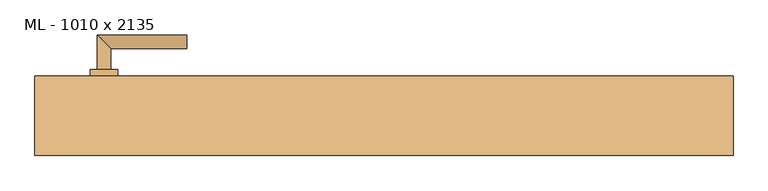
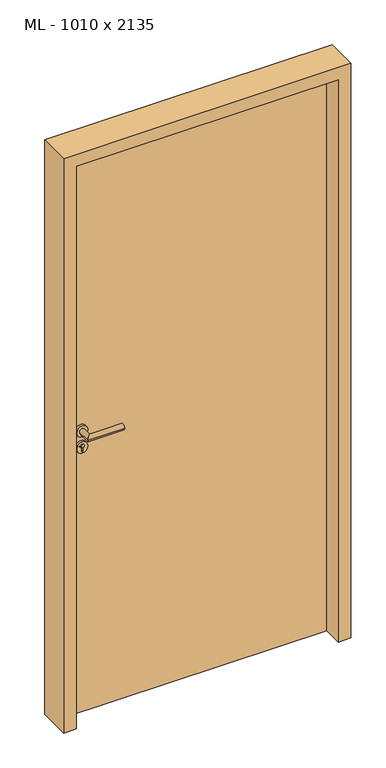
"""IFC4 building model written with IfcOpenShell, lengths in millimetres: door geometry, ML - 1010 x 2135."""

from ifc_helpers import new_model, si_unit, point, frame, frame_2d, origin, origin_with_axes, place, context, project, spatial, polyline, circle_curve, ellipse_curve, trimmed, segment, composite_curve, outline, extrude, faceted_brep, source, transform, mapped, element, save
from ifc_brep_helpers import plane_surface, cylinder_surface, advanced_brep


def ml_1010_x_2135_c56a100c(model_context):
    return source(origin(), model_context, "Body", "SolidModel", [
        extrude(outline(polyline([(471.0, 57.5), (471.0, 12.5), (-471.0, 12.5), (-471.0, 57.5), (471.0, 57.5)])), origin_with_axes(), (0.0, 0.0, 1.0), 2101.0),
        advanced_brep(
        [(-395.0, 67.5, 1050.0), (-415.0, 67.5, 1050.0), (-395.0, 97.5, 1050.0), (-415.0, 117.5, 1050.0), (-285.0, 97.5, 1050.0), (-285.0, 117.5, 1050.0)],
        [
            (0, 1, circle_curve(frame((-405.0, 67.5, 1050.0), z_axis=(0.0, -1.0, 0.0), x_axis=(-1.0, 0.0, 0.0)), 10.0)),
            (1, 0, circle_curve(frame((-405.0, 67.5, 1050.0), z_axis=(0.0, -1.0, 0.0), x_axis=(-1.0, 0.0, 0.0)), 10.0)),
            (0, 2),
            (2, 3, ellipse_curve(frame((-405.0, 107.5, 1050.0), z_axis=(-0.7071067811865531, -0.7071067811865419, 0.0), x_axis=(0.707106781186542, -0.707106781186553, 0.0)), 14.1421356, 10.0)),
            (3, 1),
            (3, 2, ellipse_curve(frame((-405.0, 107.5, 1050.0), z_axis=(-0.7071067811865531, -0.7071067811865419, 0.0), x_axis=(0.707106781186542, -0.707106781186553, 0.0)), 14.1421356, 10.0)),
            (4, 5, circle_curve(frame((-285.0, 107.5, 1050.0), z_axis=(1.0, 0.0, 0.0), x_axis=(0.0, 1.0, 0.0)), 10.0)),
            (5, 4, circle_curve(frame((-285.0, 107.5, 1050.0), z_axis=(1.0, 0.0, 0.0), x_axis=(0.0, 1.0, 0.0)), 10.0)),
            (2, 4),
            (5, 3),
        ],
        [
            plane_surface(frame((-405.0, 67.5, 1050.0), z_axis=(0.0, -1.0, 0.0), x_axis=(0.0, 0.0, 1.0))),
            cylinder_surface(frame((-405.0, 67.5, 1050.0), z_axis=(0.0, -1.0, 0.0), x_axis=(-1.0, 0.0, 0.0)), 10.0),
            plane_surface(frame((-285.0, 107.5, 1050.0), z_axis=(1.0, 0.0, 0.0), x_axis=(0.0, 0.0, 1.0))),
            cylinder_surface(frame((-405.0, 107.5, 1050.0), z_axis=(-1.0, 0.0, 0.0), x_axis=(0.0, 1.0, 0.0)), 10.0),
        ],
        [
            (0, [[1, 2]]),
            (1, [[-1, 3, 4, 5]]),
            (1, [[-2, -5, 6, -3]]),
            (2, [[7, 8]]),
            (3, [[-4, 9, -8, 10]]),
            (3, [[-6, -10, -7, -9]]),
        ],
    ),
        extrude(outline(composite_curve([segment(trimmed(circle_curve(frame_2d((990.0, -405.0)), 20.0), [point((990.0, -425.0))], [point((990.0, -385.0))], False, "CARTESIAN"), True, "CONTINUOUS"), segment(trimmed(circle_curve(frame_2d((990.0, -405.0)), 20.0), [point((990.0, -385.0))], [point((990.0, -425.0))], False, "CARTESIAN"), True, "CONTINUOUS")], self_intersect=False), holes=[composite_curve([segment(polyline([(976.4601385, -407.397268), (988.4749012, -407.397268)]), True, "CONTINUOUS"), segment(trimmed(circle_curve(frame_2d((995.0361633, -405.0)), 6.9854888), [point((988.4749012, -407.397268))], [point((988.4749012, -402.602732))], True, "CARTESIAN"), True, "CONTINUOUS"), segment(polyline([(988.4749012, -402.602732), (976.4601385, -402.602732)]), True, "CONTINUOUS"), segment(trimmed(circle_curve(frame_2d((976.4601385, -405.0)), 2.397268), [point((976.4601385, -402.602732))], [point((976.4601385, -407.397268))], True, "CARTESIAN"), True, "CONTINUOUS")], self_intersect=False)]), frame((0.0, 57.5, 0.0), z_axis=(0.0, 1.0, 0.0), x_axis=(0.0, 0.0, 1.0)), (0.0, 0.0, 1.0), 10.0),
        advanced_brep(
        [(-395.0, 67.5, 1050.0), (-415.0, 67.5, 1050.0), (-395.0, 97.5, 1050.0), (-415.0, 117.5, 1050.0), (-285.0, 97.5, 1050.0), (-285.0, 117.5, 1050.0)],
        [
            (0, 1, circle_curve(frame((-405.0, 67.5, 1050.0), z_axis=(0.0, -1.0, 0.0), x_axis=(-1.0, 0.0, 0.0)), 10.0)),
            (1, 0, circle_curve(frame((-405.0, 67.5, 1050.0), z_axis=(0.0, -1.0, 0.0), x_axis=(-1.0, 0.0, 0.0)), 10.0)),
            (0, 2),
            (2, 3, ellipse_curve(frame((-405.0, 107.5, 1050.0), z_axis=(-0.7071067811865537, -0.7071067811865414, 0.0), x_axis=(0.7071067811865414, -0.7071067811865536, 0.0)), 14.1421356, 10.0)),
            (3, 1),
            (3, 2, ellipse_curve(frame((-405.0, 107.5, 1050.0), z_axis=(-0.7071067811865537, -0.7071067811865414, 0.0), x_axis=(0.7071067811865414, -0.7071067811865536, 0.0)), 14.1421356, 10.0)),
            (4, 5, circle_curve(frame((-285.0, 107.5, 1050.0), z_axis=(1.0, 0.0, 0.0), x_axis=(0.0, 1.0, 0.0)), 10.0)),
            (5, 4, circle_curve(frame((-285.0, 107.5, 1050.0), z_axis=(1.0, 0.0, 0.0), x_axis=(0.0, 1.0, 0.0)), 10.0)),
            (2, 4),
            (5, 3),
        ],
        [
            plane_surface(frame((-405.0, 67.5, 1050.0), z_axis=(0.0, -1.0, 0.0), x_axis=(0.0, 0.0, 1.0))),
            cylinder_surface(frame((-405.0, 67.5, 1050.0), z_axis=(0.0, -1.0, 0.0), x_axis=(-1.0, 0.0, 0.0)), 10.0),
            plane_surface(frame((-285.0, 107.5, 1050.0), z_axis=(1.0, 0.0, 0.0), x_axis=(0.0, 0.0, 1.0))),
            cylinder_surface(frame((-405.0, 107.5, 1050.0), z_axis=(-1.0, 0.0, 0.0), x_axis=(0.0, 1.0, 0.0)), 10.0),
        ],
        [
            (0, [[1, 2]]),
            (1, [[-1, 3, 4, 5]]),
            (1, [[-2, -5, 6, -3]]),
            (2, [[7, 8]]),
            (3, [[-4, 9, -8, 10]]),
            (3, [[-6, -10, -7, -9]]),
        ],
    ),
        extrude(outline(composite_curve([segment(trimmed(circle_curve(frame_2d((1050.0, -405.0)), 20.0), [point((1050.0, -425.0))], [point((1050.0, -385.0))], False, "CARTESIAN"), True, "CONTINUOUS"), segment(trimmed(circle_curve(frame_2d((1050.0, -405.0)), 20.0), [point((1050.0, -385.0))], [point((1050.0, -425.0))], False, "CARTESIAN"), True, "CONTINUOUS")], self_intersect=False)), frame((0.0, 57.5, 0.0), z_axis=(0.0, 1.0, 0.0), x_axis=(0.0, 0.0, 1.0)), (0.0, 0.0, 1.0), 10.0),
        advanced_brep(
        [(-395.0, 2.5, 1050.0), (-415.0, 2.5, 1050.0), (-415.0, -47.5, 1050.0), (-395.0, -27.5, 1050.0), (-285.0, -27.5, 1050.0), (-285.0, -47.5, 1050.0)],
        [
            (0, 1, circle_curve(frame((-405.0, 2.5, 1050.0), z_axis=(0.0, 1.0, 0.0), x_axis=(-1.0, 0.0, 0.0)), 10.0)),
            (1, 0, circle_curve(frame((-405.0, 2.5, 1050.0), z_axis=(0.0, 1.0, 0.0), x_axis=(-1.0, 0.0, 0.0)), 10.0)),
            (1, 2),
            (2, 3, ellipse_curve(frame((-405.0, -37.5, 1050.0), z_axis=(-0.7071067811865486, 0.7071067811865464, 0.0), x_axis=(0.7071067811865464, 0.7071067811865488, 0.0)), 14.1421356, 10.0)),
            (3, 0),
            (3, 2, ellipse_curve(frame((-405.0, -37.5, 1050.0), z_axis=(-0.7071067811865486, 0.7071067811865464, 0.0), x_axis=(0.7071067811865464, 0.7071067811865488, 0.0)), 14.1421356, 10.0)),
            (4, 5, circle_curve(frame((-285.0, -37.5, 1050.0), z_axis=(1.0, 0.0, 0.0), x_axis=(0.0, -1.0, 0.0)), 10.0)),
            (5, 4, circle_curve(frame((-285.0, -37.5, 1050.0), z_axis=(1.0, 0.0, 0.0), x_axis=(0.0, -1.0, 0.0)), 10.0)),
            (2, 5),
            (4, 3),
        ],
        [
            plane_surface(frame((-405.0, 2.5, 1050.0), z_axis=(0.0, 1.0, 0.0), x_axis=(0.0, 0.0, 1.0))),
            cylinder_surface(frame((-405.0, 2.5, 1050.0), z_axis=(0.0, 1.0, 0.0), x_axis=(-1.0, 0.0, 0.0)), 10.0),
            plane_surface(frame((-285.0, -37.5, 1050.0), z_axis=(1.0, 0.0, 0.0), x_axis=(0.0, 0.0, 1.0))),
            cylinder_surface(frame((-405.0, -37.5, 1050.0), z_axis=(-1.0, 0.0, 0.0), x_axis=(0.0, -1.0, 0.0)), 10.0),
        ],
        [
            (0, [[1, 2]]),
            (1, [[3, 4, 5, -2]]),
            (1, [[-5, 6, -3, -1]]),
            (2, [[7, 8]]),
            (3, [[9, -7, 10, -4]]),
            (3, [[-10, -8, -9, -6]]),
        ],
    ),
        extrude(outline(composite_curve([segment(trimmed(circle_curve(frame_2d((990.0, -405.0)), 20.0), [point((990.0, -425.0))], [point((990.0, -385.0))], False, "CARTESIAN"), True, "CONTINUOUS"), segment(trimmed(circle_curve(frame_2d((990.0, -405.0)), 20.0), [point((990.0, -385.0))], [point((990.0, -425.0))], False, "CARTESIAN"), True, "CONTINUOUS")], self_intersect=False), holes=[composite_curve([segment(polyline([(976.4601385, -407.397268), (988.4749012, -407.397268)]), True, "CONTINUOUS"), segment(trimmed(circle_curve(frame_2d((995.0361633, -405.0)), 6.9854888), [point((988.4749012, -407.397268))], [point((988.4749012, -402.602732))], True, "CARTESIAN"), True, "CONTINUOUS"), segment(polyline([(988.4749012, -402.602732), (976.4601385, -402.602732)]), True, "CONTINUOUS"), segment(trimmed(circle_curve(frame_2d((976.4601385, -405.0)), 2.397268), [point((976.4601385, -402.602732))], [point((976.4601385, -407.397268))], True, "CARTESIAN"), True, "CONTINUOUS")], self_intersect=False)]), frame((0.0, 2.5, 0.0), z_axis=(0.0, 1.0, 0.0), x_axis=(0.0, 0.0, 1.0)), (0.0, 0.0, 1.0), 10.0),
        advanced_brep(
        [(-395.0, 2.5, 1050.0), (-415.0, 2.5, 1050.0), (-415.0, -47.5, 1050.0), (-395.0, -27.5, 1050.0), (-285.0, -27.5, 1050.0), (-285.0, -47.5, 1050.0)],
        [
            (0, 1, circle_curve(frame((-405.0, 2.5, 1050.0), z_axis=(0.0, 1.0, 0.0), x_axis=(-1.0, 0.0, 0.0)), 10.0)),
            (1, 0, circle_curve(frame((-405.0, 2.5, 1050.0), z_axis=(0.0, 1.0, 0.0), x_axis=(-1.0, 0.0, 0.0)), 10.0)),
            (1, 2),
            (2, 3, ellipse_curve(frame((-405.0, -37.5, 1050.0), z_axis=(-0.7071067811865491, 0.7071067811865459, 0.0), x_axis=(0.7071067811865458, 0.7071067811865492, 0.0)), 14.1421356, 10.0)),
            (3, 0),
            (3, 2, ellipse_curve(frame((-405.0, -37.5, 1050.0), z_axis=(-0.7071067811865491, 0.7071067811865459, 0.0), x_axis=(0.7071067811865458, 0.7071067811865492, 0.0)), 14.1421356, 10.0)),
            (4, 5, circle_curve(frame((-285.0, -37.5, 1050.0), z_axis=(1.0, 0.0, 0.0), x_axis=(0.0, -1.0, 0.0)), 10.0)),
            (5, 4, circle_curve(frame((-285.0, -37.5, 1050.0), z_axis=(1.0, 0.0, 0.0), x_axis=(0.0, -1.0, 0.0)), 10.0)),
            (2, 5),
            (4, 3),
        ],
        [
            plane_surface(frame((-405.0, 2.5, 1050.0), z_axis=(0.0, 1.0, 0.0), x_axis=(0.0, 0.0, 1.0))),
            cylinder_surface(frame((-405.0, 2.5, 1050.0), z_axis=(0.0, 1.0, 0.0), x_axis=(-1.0, 0.0, 0.0)), 10.0),
            plane_surface(frame((-285.0, -37.5, 1050.0), z_axis=(1.0, 0.0, 0.0), x_axis=(0.0, 0.0, 1.0))),
            cylinder_surface(frame((-405.0, -37.5, 1050.0), z_axis=(-1.0, 0.0, 0.0), x_axis=(0.0, -1.0, 0.0)), 10.0),
        ],
        [
            (0, [[1, 2]]),
            (1, [[3, 4, 5, -2]]),
            (1, [[-5, 6, -3, -1]]),
            (2, [[7, 8]]),
            (3, [[9, -7, 10, -4]]),
            (3, [[-10, -8, -9, -6]]),
        ],
    ),
        extrude(outline(composite_curve([segment(trimmed(circle_curve(frame_2d((1050.0, -405.0)), 20.0), [point((1050.0, -425.0))], [point((1050.0, -385.0))], False, "CARTESIAN"), True, "CONTINUOUS"), segment(trimmed(circle_curve(frame_2d((1050.0, -405.0)), 20.0), [point((1050.0, -385.0))], [point((1050.0, -425.0))], False, "CARTESIAN"), True, "CONTINUOUS")], self_intersect=False)), frame((0.0, 2.5, 0.0), z_axis=(0.0, 1.0, 0.0), x_axis=(0.0, 0.0, 1.0)), (0.0, 0.0, 1.0), 10.0),
        faceted_brep([(-475.0, 57.5, 0.0), (-475.0, 12.5, 0.0), (-460.0, 12.5, 0.0), (-460.0, -57.5, 0.0), (-505.0, -57.5, 0.0), (-505.0, 57.5, 0.0), (-475.0, 57.5, 2105.0), (-475.0, 12.5, 2105.0), (475.0, 12.5, 2105.0), (475.0, 12.5, 0.0), (460.0, 12.5, 0.0), (460.0, 12.5, 2090.0), (-460.0, 12.5, 2090.0), (-460.0, -57.5, 2090.0), (460.0, -57.5, 2090.0), (460.0, -57.5, 0.0), (505.0, -57.5, 0.0), (505.0, -57.5, 2135.0), (-505.0, -57.5, 2135.0), (-505.0, 57.5, 2135.0), (505.0, 57.5, 2135.0), (505.0, 57.5, 0.0), (475.0, 57.5, 0.0), (475.0, 57.5, 2105.0)], [[[0, 1, 2, 3, 4, 5]], [[1, 0, 6, 7]], [[2, 1, 7, 8, 9, 10, 11, 12]], [[3, 2, 12, 13]], [[4, 3, 13, 14, 15, 16, 17, 18]], [[5, 4, 18, 19]], [[0, 5, 19, 20, 21, 22, 23, 6]], [[20, 17, 16, 21]], [[22, 21, 16, 15, 10, 9]], [[8, 23, 22, 9]], [[14, 11, 10, 15]], [[19, 18, 17, 20]], [[13, 12, 11, 14]], [[7, 6, 23, 8]]]),
    ])


if __name__ == "__main__":
    model = new_model("IFC4")
    model_context = context("Model", 3, world=origin())
    ifc_project = project(units=[si_unit("LENGTHUNIT", "METRE", prefix="MILLI")], contexts=[model_context])
    site = spatial("IfcSite", under=ifc_project)
    building = spatial("IfcBuilding", under=site)
    placement = place(None, origin())
    ml_1010_x_2135_shape = ml_1010_x_2135_c56a100c(model_context)
    element("IfcDoor", 1, ObjectType="ML - 1010 x 2135", at=placement, inside=building, context=model_context, shape_type="MappedRepresentation", body=[
        mapped(ml_1010_x_2135_shape, transform((0.0, 0.0, 0.0), x_axis=(1.0, 0.0, 0.0), y_axis=(0.0, 1.0, 0.0), z_axis=(0.0, 0.0, 1.0))),
    ])
    save(model, "model.ifc")
